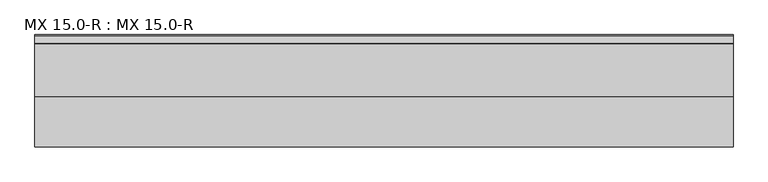
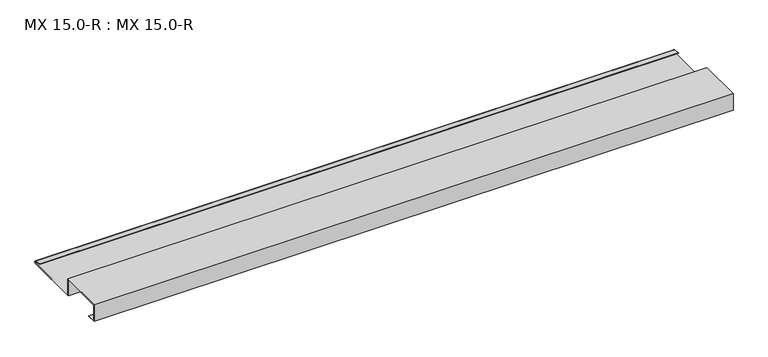
"""IFC4 building model written with IfcOpenShell, lengths in millimetres: proxy geometry, MX 15.0-R : MX 15.0-R."""

from ifc_helpers import new_model, si_unit, point, frame, frame_2d, origin, place, context, project, spatial, polyline, circle_curve, trimmed, segment, composite_curve, outline, extrude, source, transform, mapped, element, save


def mx_15_0_r_mx_15_0_r_9f5b4ec0(model_context):
    return source(origin(), model_context, "Body", "SweptSolid", [
        extrude(outline(composite_curve([segment(trimmed(circle_curve(frame_2d((221.9700946, 2.4215767)), 3.0361691), [point((223.163909, 5.2131944))], [point((222.7963586, -0.5))], False, "CARTESIAN"), True, "CONTINUOUS"), segment(polyline([(222.7963586, -0.5), (99.0, -0.5), (99.0, 37.5), (1.0, 37.5), (1.0, 1.5), (20.0, 1.5), (20.0, 0.5), (0.0, 0.5), (0.0, 38.5), (100.0, 38.5), (100.0, 0.5), (222.6835104, 0.5)]), True, "CONTINUOUS"), segment(trimmed(circle_curve(frame_2d((221.9419644, 2.4153551)), 2.0538928), [point((222.6835104, 0.5))], [point((222.807341, 4.278041))], True, "CARTESIAN"), True, "CONTINUOUS"), segment(polyline([(222.807341, 4.278041), (207.1307182, 7.2866995), (207.4140687, 8.2359048), (223.163909, 5.2131944)]), True, "CONTINUOUS")], self_intersect=False)), frame((0.0, 0.0, 0.0), z_axis=(1.0, 0.0, 0.0), x_axis=(0.0, 1.0, 0.0)), (0.0, 0.0, 1.0), 1400.0),
    ])


if __name__ == "__main__":
    model = new_model("IFC4")
    model_context = context("Model", 3, world=origin())
    ifc_project = project(units=[si_unit("LENGTHUNIT", "METRE", prefix="MILLI")], contexts=[model_context])
    site = spatial("IfcSite", under=ifc_project)
    building = spatial("IfcBuilding", under=site)
    placement = place(None, origin())
    mx_15_0_r_mx_15_0_r_shape = mx_15_0_r_mx_15_0_r_9f5b4ec0(model_context)
    element("IfcBuildingElementProxy", 1, Name="MX 15.0-R : MX 15.0-R", ObjectType="MX 15.0-R : MX 15.0-R", at=placement, inside=building, context=model_context, shape_type="MappedRepresentation", body=[
        mapped(mx_15_0_r_mx_15_0_r_shape, transform((0.0, 0.0, 0.0), x_axis=(1.0, 0.0, 0.0), y_axis=(0.0, 1.0, 0.0), z_axis=(0.0, 0.0, 1.0))),
    ])
    save(model, "model.ifc")
